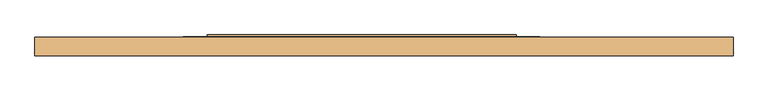
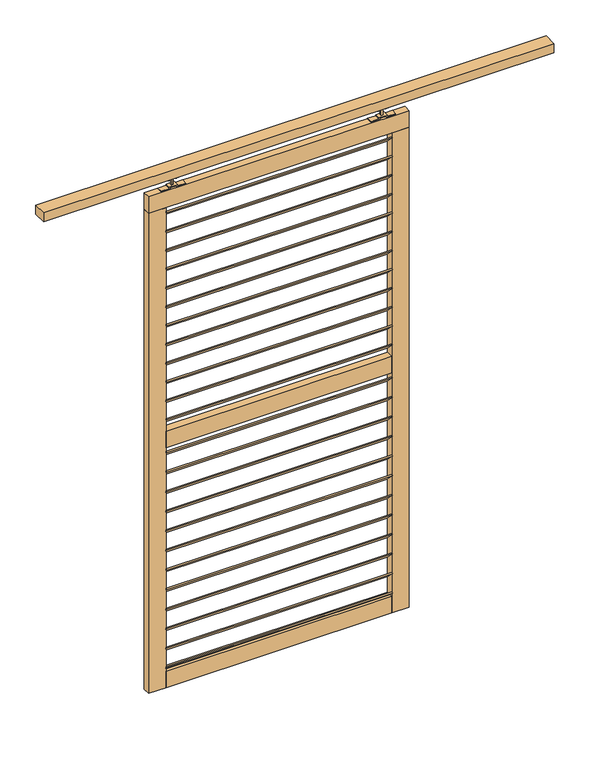
"""IFC4 building model written with IfcOpenShell, lengths in millimetres: door geometry."""

from ifc_helpers import new_model, si_unit, point, frame, frame_2d, origin, place, context, project, spatial, polyline, circle_curve, trimmed, segment, composite_curve, outline, extrude, source, transform, mapped, element, save


def door_0e77e87e(model_context):
    return source(origin(), model_context, "Body", "SweptSolid", [
        extrude(outline(polyline([(0.0, 60.0), (1040.0, 60.0), (1040.0, 0.0), (0.0, 0.0), (0.0, 60.0)])), frame((-522.5, -18.2383967, 2236.8545274), z_axis=(0.0, 0.707106781186547, 0.7071067811865482), x_axis=(1.0, 0.0, 0.0)), (0.0, 0.0, 1.0), 5.0),
        extrude(outline(polyline([(0.0, 60.0), (1040.0, 60.0), (1040.0, 0.0), (0.0, 0.0), (0.0, 60.0)])), frame((-522.5, -18.2383967, 1065.7181638), z_axis=(0.0, 0.707106781186547, 0.7071067811865482), x_axis=(1.0, 0.0, 0.0)), (0.0, 0.0, 1.0), 5.0),
        extrude(outline(polyline([(0.0, 60.0), (1040.0, 60.0), (1040.0, 0.0), (0.0, 0.0), (0.0, 60.0)])), frame((-522.5, -18.2383967, 2145.2636183), z_axis=(0.0, 0.707106781186547, 0.7071067811865482), x_axis=(1.0, 0.0, 0.0)), (0.0, 0.0, 1.0), 5.0),
        extrude(outline(polyline([(0.0, 60.0), (1040.0, 60.0), (1040.0, 0.0), (0.0, 0.0), (0.0, 60.0)])), frame((-522.5, -18.2383967, 2053.6727092), z_axis=(0.0, 0.707106781186547, 0.7071067811865482), x_axis=(1.0, 0.0, 0.0)), (0.0, 0.0, 1.0), 5.0),
        extrude(outline(polyline([(0.0, 60.0), (1040.0, 60.0), (1040.0, 0.0), (0.0, 0.0), (0.0, 60.0)])), frame((-522.5, -18.2383967, 1962.0818001), z_axis=(0.0, 0.707106781186547, 0.7071067811865482), x_axis=(1.0, 0.0, 0.0)), (0.0, 0.0, 1.0), 5.0),
        extrude(outline(polyline([(0.0, 60.0), (1040.0, 60.0), (1040.0, 0.0), (0.0, 0.0), (0.0, 60.0)])), frame((-522.5, -18.2383967, 1870.490891), z_axis=(0.0, 0.707106781186547, 0.7071067811865482), x_axis=(1.0, 0.0, 0.0)), (0.0, 0.0, 1.0), 5.0),
        extrude(outline(polyline([(0.0, 60.0), (1040.0, 60.0), (1040.0, 0.0), (0.0, 0.0), (0.0, 60.0)])), frame((-522.5, -18.2383967, 970.490891), z_axis=(0.0, 0.707106781186547, 0.7071067811865482), x_axis=(1.0, 0.0, 0.0)), (0.0, 0.0, 1.0), 5.0),
        extrude(outline(polyline([(0.0, 60.0), (1040.0, 60.0), (1040.0, 0.0), (0.0, 0.0), (0.0, 60.0)])), frame((-522.5, -18.2383967, 875.2636183), z_axis=(0.0, 0.707106781186547, 0.7071067811865482), x_axis=(1.0, 0.0, 0.0)), (0.0, 0.0, 1.0), 5.0),
        extrude(outline(polyline([(0.0, 60.0), (1040.0, 60.0), (1040.0, 0.0), (0.0, 0.0), (0.0, 60.0)])), frame((-522.5, -18.2383967, 780.0363456), z_axis=(0.0, 0.707106781186547, 0.7071067811865482), x_axis=(1.0, 0.0, 0.0)), (0.0, 0.0, 1.0), 5.0),
        extrude(outline(polyline([(0.0, 60.0), (1040.0, 60.0), (1040.0, 0.0), (0.0, 0.0), (0.0, 60.0)])), frame((-522.5, -18.2383967, 684.8090728), z_axis=(0.0, 0.707106781186547, 0.7071067811865482), x_axis=(1.0, 0.0, 0.0)), (0.0, 0.0, 1.0), 5.0),
        extrude(outline(polyline([(0.0, 60.0), (1040.0, 60.0), (1040.0, 0.0), (0.0, 0.0), (0.0, 60.0)])), frame((-522.5, -18.2383967, 1778.8999819), z_axis=(0.0, 0.707106781186547, 0.7071067811865482), x_axis=(1.0, 0.0, 0.0)), (0.0, 0.0, 1.0), 5.0),
        extrude(outline(polyline([(0.0, 60.0), (1040.0, 60.0), (1040.0, 0.0), (0.0, 0.0), (0.0, 60.0)])), frame((-522.5, -18.2383967, 1687.3090728), z_axis=(0.0, 0.707106781186547, 0.7071067811865482), x_axis=(1.0, 0.0, 0.0)), (0.0, 0.0, 1.0), 5.0),
        extrude(outline(polyline([(0.0, 60.0), (1040.0, 60.0), (1040.0, 0.0), (0.0, 0.0), (0.0, 60.0)])), frame((-522.5, -18.2383967, 1595.7181638), z_axis=(0.0, 0.707106781186547, 0.7071067811865482), x_axis=(1.0, 0.0, 0.0)), (0.0, 0.0, 1.0), 5.0),
        extrude(outline(polyline([(0.0, 60.0), (1040.0, 60.0), (1040.0, 0.0), (0.0, 0.0), (0.0, 60.0)])), frame((-522.5, -18.2383967, 1504.1272547), z_axis=(0.0, 0.707106781186547, 0.7071067811865482), x_axis=(1.0, 0.0, 0.0)), (0.0, 0.0, 1.0), 5.0),
        extrude(outline(polyline([(0.0, 60.0), (1040.0, 60.0), (1040.0, 0.0), (0.0, 0.0), (0.0, 60.0)])), frame((-522.5, -18.2383967, 1412.5363456), z_axis=(0.0, 0.707106781186547, 0.7071067811865482), x_axis=(1.0, 0.0, 0.0)), (0.0, 0.0, 1.0), 5.0),
        extrude(outline(polyline([(0.0, 60.0), (1040.0, 60.0), (1040.0, 0.0), (0.0, 0.0), (0.0, 60.0)])), frame((-522.5, -18.2383967, 2328.4454365), z_axis=(0.0, 0.707106781186547, 0.7071067811865482), x_axis=(1.0, 0.0, 0.0)), (0.0, 0.0, 1.0), 5.0),
        extrude(outline(polyline([(0.0, 60.0), (1040.0, 60.0), (1040.0, 0.0), (0.0, 0.0), (0.0, 60.0)])), frame((-522.5, -18.2383967, 1320.9454365), z_axis=(0.0, 0.707106781186547, 0.7071067811865482), x_axis=(1.0, 0.0, 0.0)), (0.0, 0.0, 1.0), 5.0),
        extrude(outline(polyline([(0.0, 60.0), (1040.0, 60.0), (1040.0, 0.0), (0.0, 0.0), (0.0, 60.0)])), frame((-522.5, -18.2383967, 589.5818001), z_axis=(0.0, 0.707106781186547, 0.7071067811865482), x_axis=(1.0, 0.0, 0.0)), (0.0, 0.0, 1.0), 5.0),
        extrude(outline(polyline([(0.0, 60.0), (1040.0, 60.0), (1040.0, 0.0), (0.0, 0.0), (0.0, 60.0)])), frame((-522.5, -18.2383967, 494.3545274), z_axis=(0.0, 0.707106781186547, 0.7071067811865482), x_axis=(1.0, 0.0, 0.0)), (0.0, 0.0, 1.0), 5.0),
        extrude(outline(polyline([(0.0, 60.0), (1040.0, 60.0), (1040.0, 0.0), (0.0, 0.0), (0.0, 60.0)])), frame((-522.5, -18.2383967, 399.1272547), z_axis=(0.0, 0.707106781186547, 0.7071067811865482), x_axis=(1.0, 0.0, 0.0)), (0.0, 0.0, 1.0), 5.0),
        extrude(outline(polyline([(0.0, 60.0), (1040.0, 60.0), (1040.0, 0.0), (0.0, 0.0), (0.0, 60.0)])), frame((-522.5, -18.2383967, 303.8999819), z_axis=(0.0, 0.707106781186547, 0.7071067811865482), x_axis=(1.0, 0.0, 0.0)), (0.0, 0.0, 1.0), 5.0),
        extrude(outline(polyline([(0.0, 60.0), (1040.0, 60.0), (1040.0, 0.0), (0.0, 0.0), (0.0, 60.0)])), frame((-522.5, -18.2383967, 208.6727092), z_axis=(0.0, 0.707106781186547, 0.7071067811865482), x_axis=(1.0, 0.0, 0.0)), (0.0, 0.0, 1.0), 5.0),
        extrude(outline(polyline([(0.0, 60.0), (1040.0, 60.0), (1040.0, 0.0), (0.0, 0.0), (0.0, 60.0)])), frame((-522.5, -18.2383967, 1160.9454365), z_axis=(0.0, 0.707106781186547, 0.7071067811865482), x_axis=(1.0, 0.0, 0.0)), (0.0, 0.0, 1.0), 5.0),
        extrude(outline(polyline([(0.0, 60.0), (1040.0, 60.0), (1040.0, 0.0), (0.0, 0.0), (0.0, 60.0)])), frame((-522.5, -18.2383967, 113.4454365), z_axis=(0.0, 0.707106781186547, 0.7071067811865482), x_axis=(1.0, 0.0, 0.0)), (0.0, 0.0, 1.0), 5.0),
        extrude(outline(polyline([(517.5, 22.2425737), (517.5, -12.7574263), (-522.5, -12.7574263), (-522.5, 22.2425737), (517.5, 22.2425737)])), frame((0.0, 0.0, 1181.5), z_axis=(0.0, 0.0, 1.0), x_axis=(1.0, 0.0, 0.0)), (0.0, 0.0, 1.0), 80.0),
        extrude(outline(polyline([(517.5, 22.2425737), (517.5, -12.7574263), (-522.5, -12.7574263), (-522.5, 22.2425737), (517.5, 22.2425737)])), frame((0.0, 0.0, 14.0), z_axis=(0.0, 0.0, 1.0), x_axis=(1.0, 0.0, 0.0)), (0.0, 0.0, 1.0), 80.0),
        extrude(outline(polyline([(597.5, 22.2425737), (597.5, -12.7574263), (-602.5, -12.7574263), (-602.5, 22.2425737), (597.5, 22.2425737)])), frame((0.0, 0.0, 2349.0), z_axis=(0.0, 0.0, 1.0), x_axis=(1.0, 0.0, 0.0)), (0.0, 0.0, 1.0), 80.0),
        extrude(outline(polyline([(-522.5, 22.2425737), (-522.5, -12.7574263), (-602.5, -12.7574263), (-602.5, 22.2425737), (-522.5, 22.2425737)])), frame((0.0, 0.0, 14.0), z_axis=(0.0, 0.0, 1.0), x_axis=(1.0, 0.0, 0.0)), (0.0, 0.0, 1.0), 2335.0),
        extrude(outline(polyline([(597.5, 22.2425737), (597.5, -12.7574263), (517.5, -12.7574263), (517.5, 22.2425737), (597.5, 22.2425737)])), frame((0.0, 0.0, 14.0), z_axis=(0.0, 0.0, 1.0), x_axis=(1.0, 0.0, 0.0)), (0.0, 0.0, 1.0), 2335.0),
        extrude(outline(composite_curve([segment(trimmed(circle_curve(frame_2d((2482.430297, -504.25)), 13.5), [point((2482.430297, -517.75))], [point((2482.430297, -490.75))], False, "CARTESIAN"), True, "CONTINUOUS"), segment(trimmed(circle_curve(frame_2d((2482.430297, -504.25)), 13.5), [point((2482.430297, -490.75))], [point((2482.430297, -517.75))], False, "CARTESIAN"), True, "CONTINUOUS")], self_intersect=False)), frame((0.0, 8.7425737, 0.0), z_axis=(0.0, 1.0, 0.0), x_axis=(0.0, 0.0, 1.0)), (0.0, 0.0, 1.0), 5.2084151),
        extrude(outline(composite_curve([segment(trimmed(circle_curve(frame_2d((2482.430297, -466.75)), 13.5), [point((2482.430297, -453.25))], [point((2482.430297, -480.25))], False, "CARTESIAN"), True, "CONTINUOUS"), segment(trimmed(circle_curve(frame_2d((2482.430297, -466.75)), 13.5), [point((2482.430297, -480.25))], [point((2482.430297, -453.25))], False, "CARTESIAN"), True, "CONTINUOUS")], self_intersect=False)), frame((0.0, 8.7425737, 0.0), z_axis=(0.0, 1.0, 0.0), x_axis=(0.0, 0.0, 1.0)), (0.0, 0.0, 1.0), 5.2084151),
        extrude(outline(composite_curve([segment(trimmed(circle_curve(frame_2d((2482.430297, -504.25)), 13.5), [point((2482.430297, -517.75))], [point((2482.430297, -490.75))], False, "CARTESIAN"), True, "CONTINUOUS"), segment(trimmed(circle_curve(frame_2d((2482.430297, -504.25)), 13.5), [point((2482.430297, -490.75))], [point((2482.430297, -517.75))], False, "CARTESIAN"), True, "CONTINUOUS")], self_intersect=False)), frame((0.0, -4.3454816, 0.0), z_axis=(0.0, 1.0, 0.0), x_axis=(0.0, 0.0, 1.0)), (0.0, 0.0, 1.0), 5.0880554),
        extrude(outline(composite_curve([segment(trimmed(circle_curve(frame_2d((2482.430297, -466.75)), 13.5), [point((2482.430297, -453.25))], [point((2482.430297, -480.25))], False, "CARTESIAN"), True, "CONTINUOUS"), segment(trimmed(circle_curve(frame_2d((2482.430297, -466.75)), 13.5), [point((2482.430297, -480.25))], [point((2482.430297, -453.25))], False, "CARTESIAN"), True, "CONTINUOUS")], self_intersect=False)), frame((0.0, -4.3454816, 0.0), z_axis=(0.0, 1.0, 0.0), x_axis=(0.0, 0.0, 1.0)), (0.0, 0.0, 1.0), 5.0880554),
        extrude(outline(polyline([(-520.5, 15.2425737), (-450.5, 15.2425737), (-450.5, -5.7574263), (-520.5, -5.7574263), (-520.5, 15.2425737)])), frame((0.0, 0.0, 2474.5), z_axis=(0.0, 0.0, 1.0), x_axis=(1.0, 0.0, 0.0)), (0.0, 0.0, 1.0), 13.0),
        extrude(outline(polyline([(-489.5, 8.7425737), (-481.5, 8.7425737), (-481.5, 0.7425737), (-489.5, 0.7425737), (-489.5, 8.7425737)])), frame((0.0, 0.0, 2433.0), z_axis=(0.0, 0.0, 1.0), x_axis=(1.0, 0.0, 0.0)), (0.0, 0.0, 1.0), 56.0),
        extrude(outline(polyline([(2433.0, -428.5), (2433.0, -466.5), (2439.0, -466.5), (2439.0, -504.5), (2433.0, -504.5), (2433.0, -542.5), (2429.0, -542.5), (2429.0, -500.5), (2435.0, -500.5), (2435.0, -470.5), (2429.0, -470.5), (2429.0, -428.5), (2433.0, -428.5)])), frame((0.0, -8.2574263, 0.0), z_axis=(0.0, 1.0, 0.0), x_axis=(0.0, 0.0, 1.0)), (0.0, 0.0, 1.0), 26.0),
        extrude(outline(composite_curve([segment(trimmed(circle_curve(frame_2d((2482.430297, 499.25)), 13.5), [point((2482.430297, 512.75))], [point((2482.430297, 485.75))], False, "CARTESIAN"), True, "CONTINUOUS"), segment(trimmed(circle_curve(frame_2d((2482.430297, 499.25)), 13.5), [point((2482.430297, 485.75))], [point((2482.430297, 512.75))], False, "CARTESIAN"), True, "CONTINUOUS")], self_intersect=False)), frame((0.0, 8.7425737, 0.0), z_axis=(0.0, 1.0, 0.0), x_axis=(0.0, 0.0, 1.0)), (0.0, 0.0, 1.0), 5.2084151),
        extrude(outline(composite_curve([segment(trimmed(circle_curve(frame_2d((2482.430297, 461.75)), 13.5), [point((2482.430297, 448.25))], [point((2482.430297, 475.25))], False, "CARTESIAN"), True, "CONTINUOUS"), segment(trimmed(circle_curve(frame_2d((2482.430297, 461.75)), 13.5), [point((2482.430297, 475.25))], [point((2482.430297, 448.25))], False, "CARTESIAN"), True, "CONTINUOUS")], self_intersect=False)), frame((0.0, 8.7425737, 0.0), z_axis=(0.0, 1.0, 0.0), x_axis=(0.0, 0.0, 1.0)), (0.0, 0.0, 1.0), 5.2084151),
        extrude(outline(composite_curve([segment(trimmed(circle_curve(frame_2d((2482.430297, 499.25)), 13.5), [point((2482.430297, 512.75))], [point((2482.430297, 485.75))], False, "CARTESIAN"), True, "CONTINUOUS"), segment(trimmed(circle_curve(frame_2d((2482.430297, 499.25)), 13.5), [point((2482.430297, 485.75))], [point((2482.430297, 512.75))], False, "CARTESIAN"), True, "CONTINUOUS")], self_intersect=False)), frame((0.0, -4.3454816, 0.0), z_axis=(0.0, 1.0, 0.0), x_axis=(0.0, 0.0, 1.0)), (0.0, 0.0, 1.0), 5.0880554),
        extrude(outline(composite_curve([segment(trimmed(circle_curve(frame_2d((2482.430297, 461.75)), 13.5), [point((2482.430297, 448.25))], [point((2482.430297, 475.25))], False, "CARTESIAN"), True, "CONTINUOUS"), segment(trimmed(circle_curve(frame_2d((2482.430297, 461.75)), 13.5), [point((2482.430297, 475.25))], [point((2482.430297, 448.25))], False, "CARTESIAN"), True, "CONTINUOUS")], self_intersect=False)), frame((0.0, -4.3454816, 0.0), z_axis=(0.0, 1.0, 0.0), x_axis=(0.0, 0.0, 1.0)), (0.0, 0.0, 1.0), 5.0880554),
        extrude(outline(polyline([(515.5, 15.2425737), (515.5, -5.7574263), (445.5, -5.7574263), (445.5, 15.2425737), (515.5, 15.2425737)])), frame((0.0, 0.0, 2474.5), z_axis=(0.0, 0.0, 1.0), x_axis=(1.0, 0.0, 0.0)), (0.0, 0.0, 1.0), 13.0),
        extrude(outline(polyline([(484.5, 8.7425737), (484.5, 0.7425737), (476.5, 0.7425737), (476.5, 8.7425737), (484.5, 8.7425737)])), frame((0.0, 0.0, 2433.0), z_axis=(0.0, 0.0, 1.0), x_axis=(1.0, 0.0, 0.0)), (0.0, 0.0, 1.0), 56.0),
        extrude(outline(polyline([(2433.0, 423.5), (2429.0, 423.5), (2429.0, 465.5), (2435.0, 465.5), (2435.0, 495.5), (2429.0, 495.5), (2429.0, 537.5), (2433.0, 537.5), (2433.0, 499.5), (2439.0, 499.5), (2439.0, 461.5), (2433.0, 461.5), (2433.0, 423.5)])), frame((0.0, -8.2574263, 0.0), z_axis=(0.0, 1.0, 0.0), x_axis=(0.0, 0.0, 1.0)), (0.0, 0.0, 1.0), 26.0),
        extrude(outline(polyline([(1247.5, -42.0), (-1102.5, -42.0), (-1102.5, 20.0), (1247.5, 20.0), (1247.5, -42.0)])), frame((0.0, 0.0, 2500.0), z_axis=(0.0, 0.0, 1.0), x_axis=(1.0, 0.0, 0.0)), (0.0, 0.0, 1.0), 45.0),
    ])


if __name__ == "__main__":
    model = new_model("IFC4")
    model_context = context("Model", 3, world=origin())
    ifc_project = project(units=[si_unit("LENGTHUNIT", "METRE", prefix="MILLI")], contexts=[model_context])
    site = spatial("IfcSite", under=ifc_project)
    building = spatial("IfcBuilding", under=site)
    placement = place(None, origin())
    door_shape = door_0e77e87e(model_context)
    element("IfcDoor", 1, at=placement, inside=building, context=model_context, shape_type="MappedRepresentation", body=[
        mapped(door_shape, transform((0.0, 0.0, 0.0), x_axis=(1.0, 0.0, 0.0), y_axis=(0.0, 1.0, 0.0), z_axis=(0.0, 0.0, 1.0))),
    ])
    save(model, "model.ifc")
